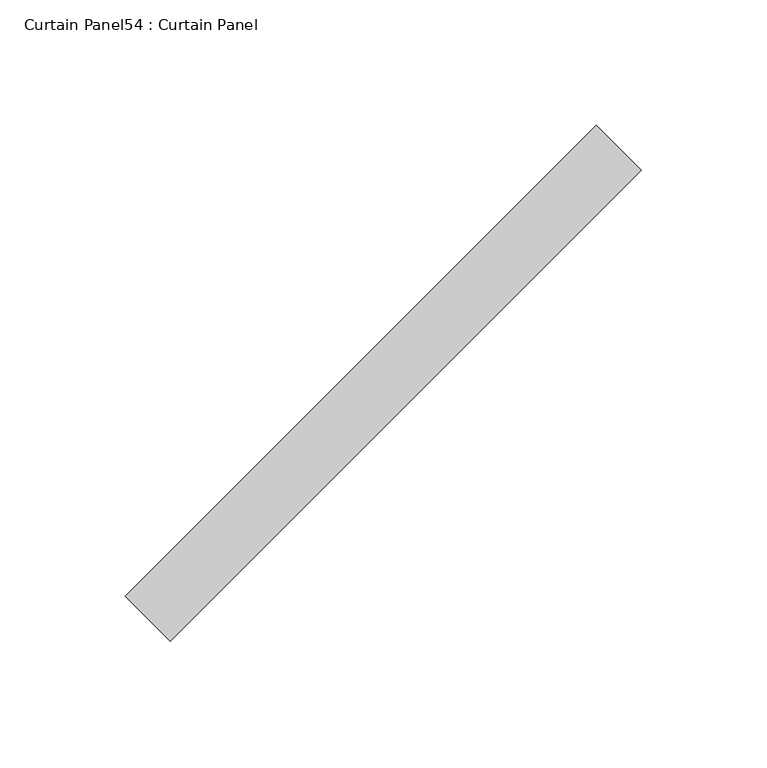
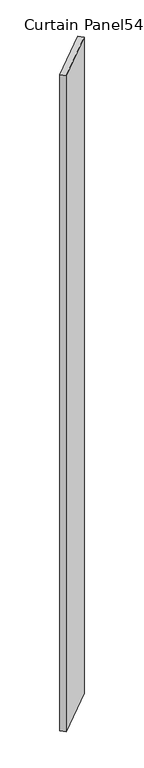
"""IFC4 building model written with IfcOpenShell, lengths in millimetres: plate geometry, Curtain Panel54 : Curtain Panel."""

from ifc_helpers import new_model, si_unit, origin, origin_with_axes, place, context, project, spatial, polyline, outline, extrude, source, transform, mapped, element, save


def curtain_panel54_curtain_panel_441ff6ca(model_context):
    return source(origin(), model_context, "Body", "SweptSolid", [
        extrude(outline(polyline([(-346850.6212748, 3698.8343146), (-347038.738714, 3510.7168754), (-347056.6992262, 3528.6773877), (-346868.5817871, 3716.7948269), (-346850.6212748, 3698.8343146)])), origin_with_axes(), (0.0, 0.0, 1.0), 3048.0),
    ])


if __name__ == "__main__":
    model = new_model("IFC4")
    model_context = context("Model", 3, world=origin())
    ifc_project = project(units=[si_unit("LENGTHUNIT", "METRE", prefix="MILLI")], contexts=[model_context])
    site = spatial("IfcSite", under=ifc_project)
    building = spatial("IfcBuilding", under=site)
    placement = place(None, origin())
    curtain_panel54_curtain_panel_shape = curtain_panel54_curtain_panel_441ff6ca(model_context)
    element("IfcPlate", 1, ObjectType="Curtain Panel54 : Curtain Panel", at=placement, inside=building, context=model_context, shape_type="MappedRepresentation", body=[
        mapped(curtain_panel54_curtain_panel_shape, transform((0.0, 0.0, 0.0), x_axis=(1.0, 0.0, 0.0), y_axis=(0.0, 1.0, 0.0), z_axis=(0.0, 0.0, 1.0))),
    ])
    save(model, "model.ifc")
